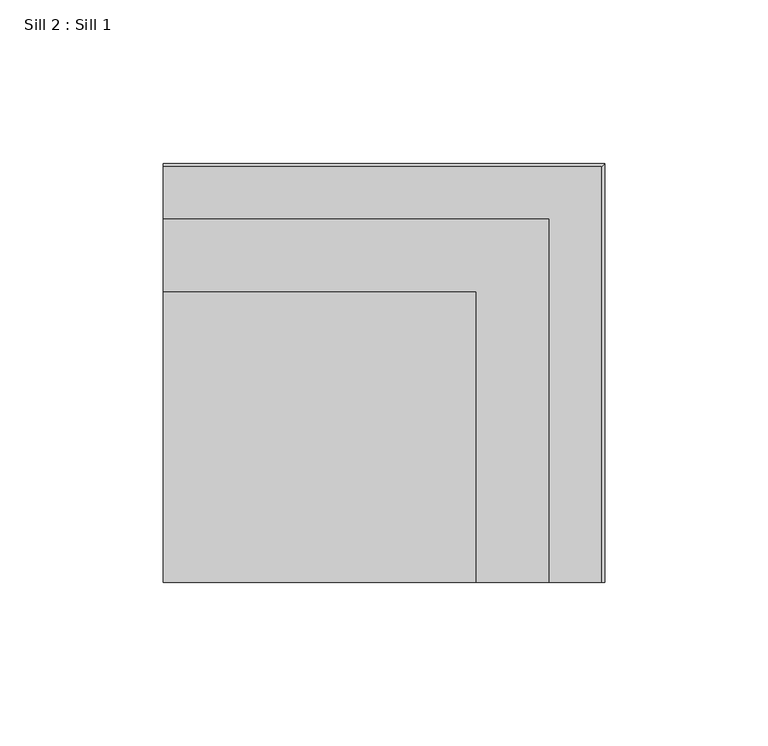
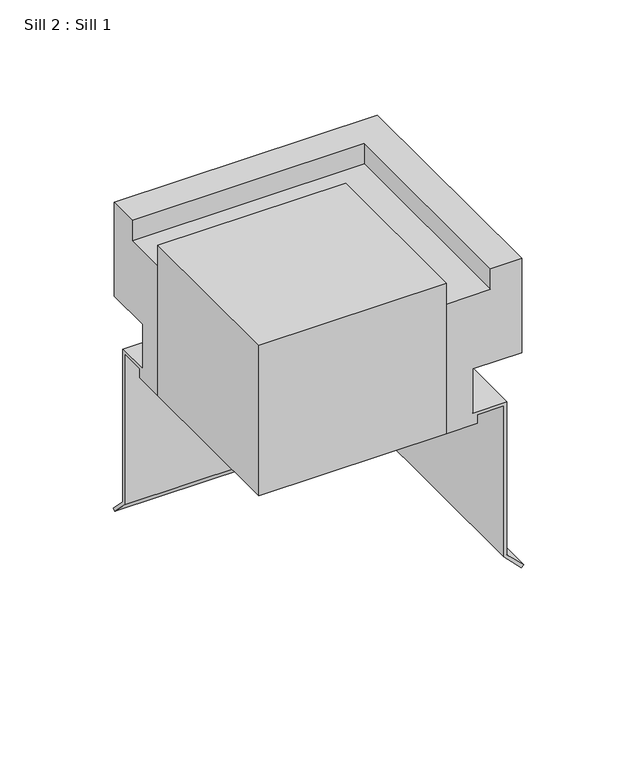
"""IFC4 building model written with IfcOpenShell, lengths in millimetres: proxy geometry, Sill 2 : Sill 1."""

from ifc_helpers import new_model, si_unit, frame, origin, place, context, project, spatial, polyline, outline, extrude, faceted_brep, source, transform, mapped, element, save


def sill_2_sill_1_5fa985c3(model_context):
    return source(origin(), model_context, "Body", "SolidModel", [
        extrude(outline(polyline([(16899.5876872, -17936.485349), (16899.5876872, -18025.4394693), (16804.0098685, -18025.4394693), (16804.0098685, -17936.485349), (16899.5876872, -17936.485349)])), frame((0.0, 0.0, -2171.3227236), z_axis=(0.0, 0.0, 1.0), x_axis=(1.0, 0.0, 0.0)), (0.0, 0.0, 1.0), 80.9625),
        faceted_brep([(16804.0098685, -17922.997949, -2164.9727236), (16804.0098685, -17905.6354413, -2164.9727236), (16804.0098685, -17905.6354413, -2247.2620346), (16804.0098685, -17897.1201532, -2255.7773227), (16804.0098685, -17898.2426852, -2256.8998547), (16804.0098685, -17907.2229413, -2247.9195986), (16804.0098685, -17907.2229413, -2166.5602236), (16804.0098685, -17920.610349, -2166.5602236), (16804.0098685, -17920.610349, -2171.3227236), (16804.0098685, -17936.485349, -2171.3227236), (16804.0098685, -17936.485349, -2101.4854236), (16804.0098685, -17914.006349, -2101.4854236), (16804.0098685, -17914.006349, -2090.3602236), (16804.0098685, -17898.131349, -2090.3602236), (16804.0098685, -17898.131349, -2141.1602236), (16804.0098685, -17922.997949, -2141.1602236), (16913.0750872, -17922.997949, -2141.1602236), (16913.0750872, -17922.997949, -2164.9727236), (16937.9416872, -17898.131349, -2141.1602236), (16937.9416872, -18025.4394693, -2141.1602236), (16913.0750872, -18025.4394693, -2141.1602236), (16937.9416872, -17898.131349, -2090.3602236), (16922.0666872, -17914.006349, -2090.3602236), (16922.0666872, -18025.4394693, -2090.3602236), (16937.9416872, -18025.4394693, -2090.3602236), (16922.0666872, -17914.006349, -2101.4854236), (16899.5876872, -17936.485349, -2101.4854236), (16899.5876872, -18025.4394693, -2101.4854236), (16922.0666872, -18025.4394693, -2101.4854236), (16899.5876872, -17936.485349, -2171.3227236), (16915.4626872, -17920.610349, -2171.3227236), (16915.4626872, -18025.4394693, -2171.3227236), (16899.5876872, -18025.4394693, -2171.3227236), (16915.4626872, -17920.610349, -2166.5602236), (16928.8500949, -17907.2229413, -2166.5602236), (16928.8500949, -18025.4394693, -2166.5602236), (16915.4626872, -18025.4394693, -2166.5602236), (16928.8500949, -17907.2229413, -2247.9195986), (16937.830351, -17898.2426852, -2256.8998547), (16938.952883, -17897.1201532, -2255.7773227), (16930.4375949, -17905.6354413, -2247.2620346), (16930.4375949, -17905.6354413, -2164.9727236), (16913.0750872, -18025.4394693, -2164.9727236), (16930.4375949, -18025.4394693, -2164.9727236), (16928.8500949, -18025.4394693, -2247.9195986), (16937.830351, -18025.4394693, -2256.8998547), (16938.952883, -18025.4394693, -2255.7773227), (16930.4375949, -18025.4394693, -2247.2620346)], [[[0, 1, 2, 3, 4, 5, 6, 7, 8, 9, 10, 11, 12, 13, 14, 15]], [[0, 15, 16, 17]], [[15, 14, 18, 19, 20, 16]], [[14, 13, 21, 18]], [[13, 12, 22, 23, 24, 21]], [[12, 11, 25, 22]], [[11, 10, 26, 27, 28, 25]], [[10, 9, 29, 26]], [[9, 8, 30, 31, 32, 29]], [[8, 7, 33, 30]], [[7, 6, 34, 35, 36, 33]], [[6, 5, 37, 34]], [[5, 4, 38, 37]], [[4, 3, 39, 38]], [[3, 2, 40, 39]], [[2, 1, 41, 40]], [[1, 0, 17, 42, 43, 41]], [[42, 20, 19, 24, 23, 28, 27, 32, 31, 36, 35, 44, 45, 46, 47, 43]], [[17, 16, 20, 42]], [[18, 21, 24, 19]], [[22, 25, 28, 23]], [[26, 29, 32, 27]], [[30, 33, 36, 31]], [[34, 37, 44, 35]], [[37, 38, 45, 44]], [[38, 39, 46, 45]], [[39, 40, 47, 46]], [[40, 41, 43, 47]]]),
    ])


if __name__ == "__main__":
    model = new_model("IFC4")
    model_context = context("Model", 3, world=origin())
    ifc_project = project(units=[si_unit("LENGTHUNIT", "METRE", prefix="MILLI")], contexts=[model_context])
    site = spatial("IfcSite", under=ifc_project)
    building = spatial("IfcBuilding", under=site)
    placement = place(None, origin())
    sill_2_sill_1_shape = sill_2_sill_1_5fa985c3(model_context)
    element("IfcBuildingElementProxy", 1, Name="Sill 2 : Sill 1", ObjectType="Sill 2 : Sill 1", at=placement, inside=building, context=model_context, shape_type="MappedRepresentation", body=[
        mapped(sill_2_sill_1_shape, transform((0.0, 0.0, 0.0), x_axis=(1.0, 0.0, 0.0), y_axis=(0.0, 1.0, 0.0), z_axis=(0.0, 0.0, 1.0))),
    ])
    save(model, "model.ifc")
